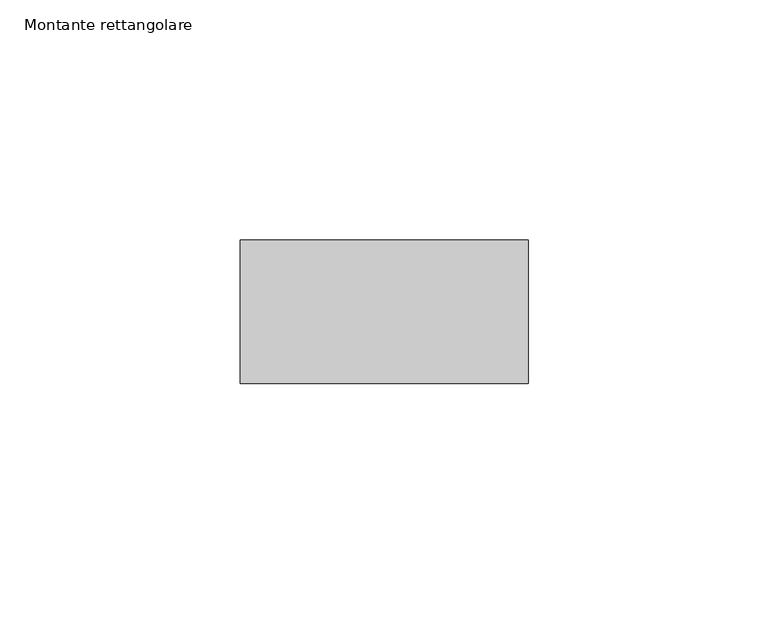
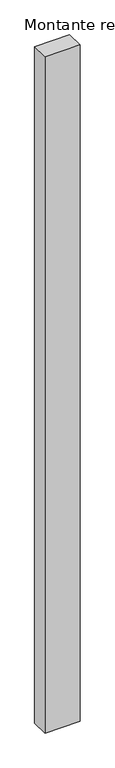
"""IFC4 building model written with IfcOpenShell, lengths in millimetres: member geometry, Montante rettangolare."""

from ifc_helpers import new_model, si_unit, frame, origin, place, context, project, spatial, polyline, outline, extrude, source, transform, mapped, element, save


def montante_rettangolare_a7aae29c(model_context):
    return source(origin(), model_context, "Body", "SweptSolid", [
        extrude(outline(polyline([(30.0, 15.0), (30.0, -15.0), (-30.0, -15.0), (-30.0, 15.0), (30.0, 15.0)])), frame((0.0, 0.0, -1223.5104695), z_axis=(0.0, 0.0, 1.0), x_axis=(1.0, 0.0, 0.0)), (0.0, 0.0, 1.0), 1223.5104695),
    ])


if __name__ == "__main__":
    model = new_model("IFC4")
    model_context = context("Model", 3, world=origin())
    ifc_project = project(units=[si_unit("LENGTHUNIT", "METRE", prefix="MILLI")], contexts=[model_context])
    site = spatial("IfcSite", under=ifc_project)
    building = spatial("IfcBuilding", under=site)
    placement = place(None, origin())
    montante_rettangolare_shape = montante_rettangolare_a7aae29c(model_context)
    element("IfcMember", 1, ObjectType="Montante rettangolare", at=placement, inside=building, context=model_context, shape_type="MappedRepresentation", body=[
        mapped(montante_rettangolare_shape, transform((0.0, 0.0, 0.0), x_axis=(1.0, 0.0, 0.0), y_axis=(0.0, 1.0, 0.0), z_axis=(0.0, 0.0, 1.0))),
    ])
    save(model, "model.ifc")
